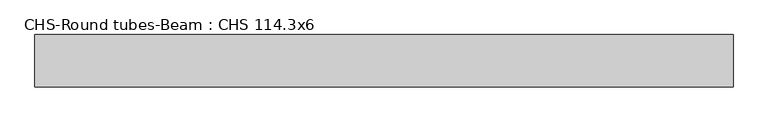
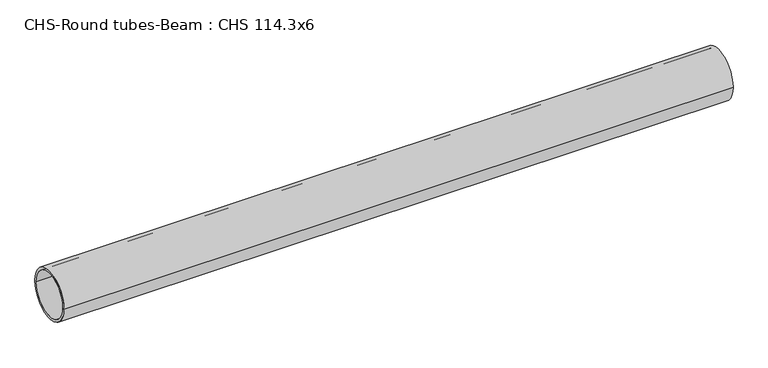
"""IFC4 building model written with IfcOpenShell, lengths in millimetres: beam geometry, CHS-Round tubes-Beam : CHS 114.3x6."""

from ifc_helpers import new_model, si_unit, point, frame, origin, origin_2d, place, context, project, spatial, circle_curve, trimmed, segment, composite_curve, outline, extrude, source, transform, mapped, element, save


def chs_round_tubes_beam_chs_114_3x6_1e78d8bc(model_context):
    return source(origin(), model_context, "Body", "SweptSolid", [
        extrude(outline(composite_curve([segment(trimmed(circle_curve(origin_2d(), 57.15), [point((57.15, 0.0))], [point((-57.15, 0.0))], False, "CARTESIAN"), True, "CONTINUOUS"), segment(trimmed(circle_curve(origin_2d(), 57.15), [point((-57.15, 0.0))], [point((57.15, 0.0))], False, "CARTESIAN"), True, "CONTINUOUS")], self_intersect=False), holes=[composite_curve([segment(trimmed(circle_curve(origin_2d(), 51.15), [point((51.15, 0.0))], [point((-51.15, 0.0))], True, "CARTESIAN"), True, "CONTINUOUS"), segment(trimmed(circle_curve(origin_2d(), 51.15), [point((-51.15, 0.0))], [point((51.15, 0.0))], True, "CARTESIAN"), True, "CONTINUOUS")], self_intersect=False)]), frame((-774.8047127, 0.0, 0.0), z_axis=(1.0, 0.0, 0.0), x_axis=(0.0, 1.0, 0.0)), (0.0, 0.0, 1.0), 1523.1846018),
    ])


if __name__ == "__main__":
    model = new_model("IFC4")
    model_context = context("Model", 3, world=origin())
    ifc_project = project(units=[si_unit("LENGTHUNIT", "METRE", prefix="MILLI")], contexts=[model_context])
    site = spatial("IfcSite", under=ifc_project)
    building = spatial("IfcBuilding", under=site)
    placement = place(None, origin())
    chs_round_tubes_beam_chs_114_3x6_shape = chs_round_tubes_beam_chs_114_3x6_1e78d8bc(model_context)
    element("IfcBeam", 1, ObjectType="CHS-Round tubes-Beam : CHS 114.3x6", at=placement, inside=building, context=model_context, shape_type="MappedRepresentation", body=[
        mapped(chs_round_tubes_beam_chs_114_3x6_shape, transform((0.0, 0.0, 0.0), x_axis=(1.0, 0.0, 0.0), y_axis=(0.0, 1.0, 0.0), z_axis=(0.0, 0.0, 1.0))),
    ])
    save(model, "model.ifc")
